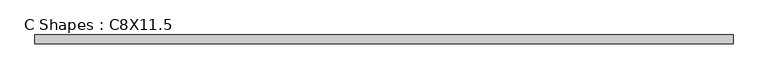
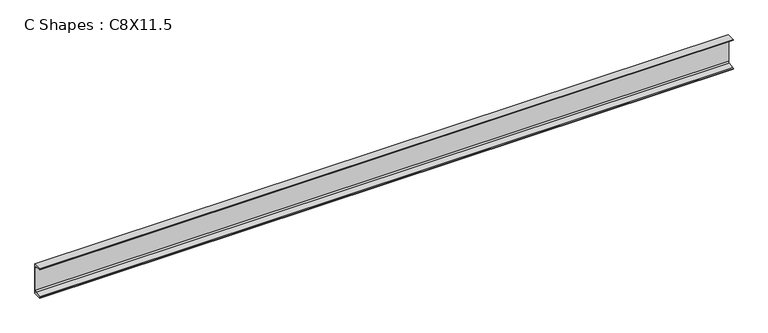
"""IFC4 building model written with IfcOpenShell, lengths in millimetres: beam geometry, C Shapes : C8X11.5."""

from ifc_helpers import new_model, si_unit, point, frame, frame_2d, origin, place, context, project, spatial, polyline, circle_curve, trimmed, segment, composite_curve, outline, extrude, source, transform, mapped, element, save


def c_shapes_c8x11_5_c3478e97(model_context):
    return source(origin(), model_context, "Body", "SweptSolid", [
        extrude(outline(composite_curve([segment(polyline([(14.5288, 101.6), (14.5288, -101.6), (-42.8752, -101.6), (-42.8752, -100.2069137)]), True, "CONTINUOUS"), segment(trimmed(circle_curve(frame_2d((-37.9222, -100.2069137)), 4.953), [point((-42.8752, -100.2069137))], [point((-38.7362702, -95.3212716))], False, "CARTESIAN"), True, "CONTINUOUS"), segment(polyline([(-38.7362702, -95.3212716), (0.6629403, -88.7563777)]), True, "CONTINUOUS"), segment(trimmed(circle_curve(frame_2d((-0.9652, -78.9850935)), 9.906), [point((0.6629403, -88.7563777))], [point((8.9408, -78.9850935))], True, "CARTESIAN"), True, "CONTINUOUS"), segment(polyline([(8.9408, -78.9850935), (8.9408, 78.9850935)]), True, "CONTINUOUS"), segment(trimmed(circle_curve(frame_2d((-0.9652, 78.9850935)), 9.906), [point((8.9408, 78.9850935))], [point((0.6629403, 88.7563777))], True, "CARTESIAN"), True, "CONTINUOUS"), segment(polyline([(0.6629403, 88.7563777), (-38.7362702, 95.3212716)]), True, "CONTINUOUS"), segment(trimmed(circle_curve(frame_2d((-37.9222, 100.2069137)), 4.953), [point((-38.7362702, 95.3212716))], [point((-42.8752, 100.2069137))], False, "CARTESIAN"), True, "CONTINUOUS"), segment(polyline([(-42.8752, 100.2069137), (-42.8752, 101.6), (14.5288, 101.6)]), True, "CONTINUOUS")], self_intersect=False)), frame((-2286.0, 0.0, 0.0), z_axis=(1.0, 0.0, 0.0), x_axis=(0.0, 1.0, 0.0)), (0.0, 0.0, 1.0), 4572.0),
    ])


if __name__ == "__main__":
    model = new_model("IFC4")
    model_context = context("Model", 3, world=origin())
    ifc_project = project(units=[si_unit("LENGTHUNIT", "METRE", prefix="MILLI")], contexts=[model_context])
    site = spatial("IfcSite", under=ifc_project)
    building = spatial("IfcBuilding", under=site)
    placement = place(None, origin())
    c_shapes_c8x11_5_shape = c_shapes_c8x11_5_c3478e97(model_context)
    element("IfcBeam", 1, ObjectType="C Shapes : C8X11.5", at=placement, inside=building, context=model_context, shape_type="MappedRepresentation", body=[
        mapped(c_shapes_c8x11_5_shape, transform((0.0, 0.0, 0.0), x_axis=(1.0, 0.0, 0.0), y_axis=(0.0, 1.0, 0.0), z_axis=(0.0, 0.0, 1.0))),
    ])
    save(model, "model.ifc")
